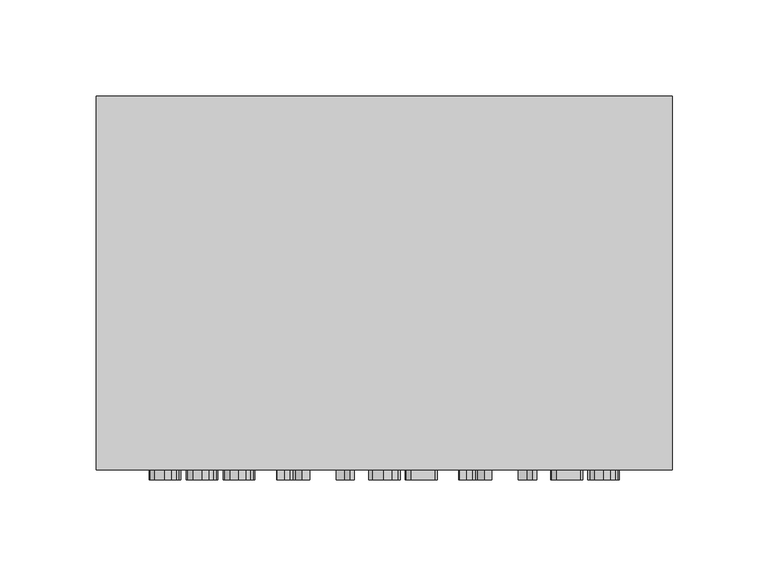
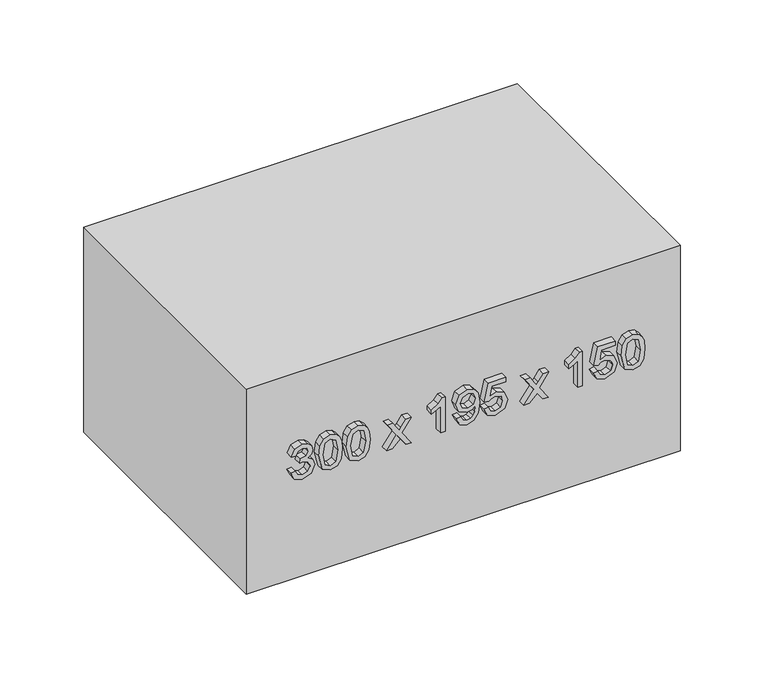
"""IFC4 building model written with IfcOpenShell, lengths in millimetres: furniture geometry."""

from ifc_helpers import new_model, si_unit, frame, origin, origin_with_axes, place, context, project, spatial, polyline, outline, extrude, source, transform, mapped, element, save


def furniture_a043cbdc(model_context):
    return source(origin(), model_context, "Body", "SweptSolid", [
        extrude(outline(polyline([(81.6709268, -77.5345978), (76.5757612, -75.0391316), (74.6075925, -69.5331644), (76.9129864, -63.4569801), (82.5293182, -61.0534844), (86.6128083, -62.2552323), (88.7587866, -65.6765349), (90.8373199, -63.1013609), (93.7313249, -62.2307068), (96.8981758, -63.1473461), (99.2526205, -65.7960965), (100.1140775, -69.5822154), (98.3666381, -74.5731478), (93.4431507, -77.1421904), (93.0507432, -74.0029307), (95.9937992, -72.4639577), (96.9748178, -69.4718508), (96.0029962, -66.5165321), (93.5473839, -65.3699665), (90.7760062, -66.9518591), (89.9114835, -71.0169551), (86.7722238, -71.366443), (87.1155804, -69.1652824), (85.8310591, -65.5968271), (82.5845005, -64.1927441), (79.1386724, -65.6090898), (77.7468522, -69.4227998), (78.7585277, -72.6632271), (82.0633343, -74.3953381), (81.6709268, -77.5345978)])), frame((0.0, -200.0, 0.0), z_axis=(0.0, 1.0, 0.0), x_axis=(0.0, 0.0, 1.0)), (0.0, 0.0, 1.0), 5.0),
        extrude(outline(polyline([(87.3547037, -58.3066322), (76.9988255, -55.8050346), (74.6075925, -50.0660755), (75.9840843, -45.4706163), (80.159545, -42.7390925), (87.3547037, -41.8255188), (93.256144, -42.3957359), (96.9717522, -43.8672639), (99.3047371, -46.3995183), (100.1140775, -50.0660755), (98.7467828, -54.6431407), (94.5805192, -57.3838615), (87.3547037, -58.3066322)]), holes=[polyline([(87.360835, -55.1673725), (95.2948234, -53.6467936), (96.9748178, -50.1028637), (95.0679628, -46.3872556), (87.360835, -44.9647785), (79.5709338, -46.4363065), (77.7468522, -50.0660755), (79.5648024, -53.6958445), (87.360835, -55.1673725)])]), frame((0.0, -200.0, 0.0), z_axis=(0.0, 1.0, 0.0), x_axis=(0.0, 0.0, 1.0)), (0.0, 0.0, 1.0), 5.0),
        extrude(outline(polyline([(87.3547037, -39.0786666), (76.9988255, -36.577069), (74.6075925, -30.8381099), (75.9840843, -26.2426507), (80.159545, -23.5111268), (87.3547037, -22.5975532), (93.256144, -23.1677703), (96.9717522, -24.6392983), (99.3047371, -27.1715527), (100.1140775, -30.8381099), (98.7467828, -35.4151751), (94.5805192, -38.1558959), (87.3547037, -39.0786666)]), holes=[polyline([(87.360835, -35.9394069), (95.2948234, -34.418828), (96.9748178, -30.8748981), (95.0679628, -27.15929), (87.360835, -25.7368129), (79.5709338, -27.2083409), (77.7468522, -30.8381099), (79.5648024, -34.4678789), (87.360835, -35.9394069)])]), frame((0.0, -200.0, 0.0), z_axis=(0.0, 1.0, 0.0), x_axis=(0.0, 0.0, 1.0)), (0.0, 0.0, 1.0), 5.0),
        extrude(outline(polyline([(75.0, -11.2177368), (75.0, -7.440815), (80.5734122, -1.9655047), (75.0, 1.8788622), (75.0, 5.655784), (84.2706263, -0.7331), (93.4431507, 5.9010387), (93.4431507, 2.1241169), (88.648422, -1.3462366), (86.9439021, -2.5786413), (89.0285667, -4.0011184), (93.4431507, -7.0484076), (93.4431507, -10.8253294), (84.2706263, -4.5100218), (75.0, -11.2177368)])), frame((0.0, -200.0, 0.0), z_axis=(0.0, 1.0, 0.0), x_axis=(0.0, 0.0, 1.0)), (0.0, 0.0, 1.0), 5.0),
        extrude(outline(polyline([(75.0, 29.2002317), (100.1140775, 29.2002317), (100.1140775, 27.1768807), (96.7724827, 24.3840433), (93.8355582, 19.7824526), (90.8679767, 19.7824526), (92.452935, 23.0872592), (94.5713221, 26.060972), (75.0, 26.060972), (75.0, 29.2002317)])), frame((0.0, -200.0, 0.0), z_axis=(0.0, 1.0, 0.0), x_axis=(0.0, 0.0, 1.0)), (0.0, 0.0, 1.0), 5.0),
        extrude(outline(polyline([(81.2785194, 37.0483809), (76.3580977, 39.2985925), (74.6075925, 44.123978), (76.0913833, 48.9708233), (80.410931, 52.0886232), (88.0352854, 53.1370869), (95.0618315, 52.0855575), (98.8019651, 49.0076115), (100.1140775, 44.5347795), (97.8148151, 38.9031193), (91.7447621, 36.6559735), (85.8647816, 38.7988861), (83.6329642, 44.0442702), (84.5465378, 47.4870325), (86.3123714, 50.0162213), (82.6703396, 49.5625001), (79.9418815, 48.5354962), (78.3446605, 46.8125822), (77.7468522, 44.2711308), (78.6757543, 41.5978549), (81.6709268, 40.1876406), (81.2785194, 37.0483809)]), holes=[polyline([(91.8183385, 49.9978272), (88.1119274, 48.5784158), (86.7722238, 44.9578438), (88.1119274, 41.1870534), (91.591478, 39.7952332), (95.4756987, 41.2667611), (96.9748178, 45.043683), (95.5829976, 48.6427951), (91.8183385, 49.9978272)])]), frame((0.0, -200.0, 0.0), z_axis=(0.0, 1.0, 0.0), x_axis=(0.0, 0.0, 1.0)), (0.0, 0.0, 1.0), 5.0),
        extrude(outline(polyline([(81.6709268, 55.8839391), (76.5420387, 58.33342), (74.6075925, 63.8731097), (77.6180935, 70.3968838), (83.4428918, 72.3650525), (89.2309018, 70.1792203), (91.4811134, 64.8112088), (89.6662289, 60.2188153), (96.5824104, 61.5615845), (96.5824104, 71.1878301), (99.7216701, 71.1878301), (99.7216701, 59.0231988), (86.7722238, 56.2763465), (86.3798164, 59.4156062), (87.7961621, 61.1783741), (88.3418537, 63.9344234), (86.9745589, 67.9106146), (83.2466881, 69.2257928), (79.2521027, 67.8217098), (77.7468522, 63.8853725), (78.8290384, 60.6050914), (82.0633343, 59.0231988), (81.6709268, 55.8839391)])), frame((0.0, -200.0, 0.0), z_axis=(0.0, 1.0, 0.0), x_axis=(0.0, 0.0, 1.0)), (0.0, 0.0, 1.0), 5.0),
        extrude(outline(polyline([(75.0, 83.7448689), (75.0, 87.5217907), (80.5734122, 92.997101), (75.0, 96.8414679), (75.0, 100.6183897), (84.2706263, 94.2295057), (93.4431507, 100.8636444), (93.4431507, 97.0867225), (88.648422, 93.6163691), (86.9439021, 92.3839644), (89.0285667, 90.9614873), (93.4431507, 87.9141981), (93.4431507, 84.1372763), (84.2706263, 90.4525839), (75.0, 83.7448689)])), frame((0.0, -200.0, 0.0), z_axis=(0.0, 1.0, 0.0), x_axis=(0.0, 0.0, 1.0)), (0.0, 0.0, 1.0), 5.0),
        extrude(outline(polyline([(75.0, 124.1628374), (100.1140775, 124.1628374), (100.1140775, 122.1394864), (96.7724827, 119.3466489), (93.8355582, 114.7450583), (90.8679767, 114.7450583), (92.452935, 118.0498649), (94.5713221, 121.0235777), (75.0, 121.0235777), (75.0, 124.1628374)])), frame((0.0, -200.0, 0.0), z_axis=(0.0, 1.0, 0.0), x_axis=(0.0, 0.0, 1.0)), (0.0, 0.0, 1.0), 5.0),
        extrude(outline(polyline([(81.6709268, 131.6185792), (76.5420387, 134.0680601), (74.6075925, 139.6077498), (77.6180935, 146.1315239), (83.4428918, 148.0996925), (89.2309018, 145.9138604), (91.4811134, 140.5458489), (89.6662289, 135.9534553), (96.5824104, 137.2962246), (96.5824104, 146.9224702), (99.7216701, 146.9224702), (99.7216701, 134.7578389), (86.7722238, 132.0109866), (86.3798164, 135.1502463), (87.7961621, 136.9130142), (88.3418537, 139.6690635), (86.9745589, 143.6452547), (83.2466881, 144.9604329), (79.2521027, 143.5563499), (77.7468522, 139.6200126), (78.8290384, 136.3397314), (82.0633343, 134.7578389), (81.6709268, 131.6185792)])), frame((0.0, -200.0, 0.0), z_axis=(0.0, 1.0, 0.0), x_axis=(0.0, 0.0, 1.0)), (0.0, 0.0, 1.0), 5.0),
        extrude(outline(polyline([(87.3547037, 150.8465448), (76.9988255, 153.3481423), (74.6075925, 159.0871015), (75.9840843, 163.6825607), (80.159545, 166.4140845), (87.3547037, 167.3276582), (93.256144, 166.7574411), (96.9717522, 165.2859131), (99.3047371, 162.7536587), (100.1140775, 159.0871015), (98.7467828, 154.5100363), (94.5805192, 151.7693154), (87.3547037, 150.8465448)]), holes=[polyline([(87.360835, 153.9858045), (95.2948234, 155.5063834), (96.9748178, 159.0503133), (95.0679628, 162.7659214), (87.360835, 164.1883985), (79.5709338, 162.7168705), (77.7468522, 159.0871015), (79.5648024, 155.4573324), (87.360835, 153.9858045)])]), frame((0.0, -200.0, 0.0), z_axis=(0.0, 1.0, 0.0), x_axis=(0.0, 0.0, 1.0)), (0.0, 0.0, 1.0), 5.0),
        extrude(outline(polyline([(194.7003264, 0.0), (194.7003264, -195.0), (-105.2996736, -195.0), (-105.2996736, 0.0), (194.7003264, 0.0)])), origin_with_axes(), (0.0, 0.0, 1.0), 150.0),
    ])


if __name__ == "__main__":
    model = new_model("IFC4")
    model_context = context("Model", 3, world=origin())
    ifc_project = project(units=[si_unit("LENGTHUNIT", "METRE", prefix="MILLI")], contexts=[model_context])
    site = spatial("IfcSite", under=ifc_project)
    building = spatial("IfcBuilding", under=site)
    placement = place(None, origin())
    furniture_shape = furniture_a043cbdc(model_context)
    element("IfcFurniture", 1, at=placement, inside=building, context=model_context, shape_type="MappedRepresentation", body=[
        mapped(furniture_shape, transform((0.0, 0.0, 0.0), x_axis=(1.0, 0.0, 0.0), y_axis=(0.0, 1.0, 0.0), z_axis=(0.0, 0.0, 1.0))),
    ])
    save(model, "model.ifc")
